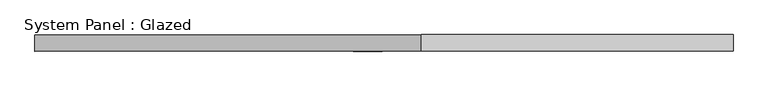
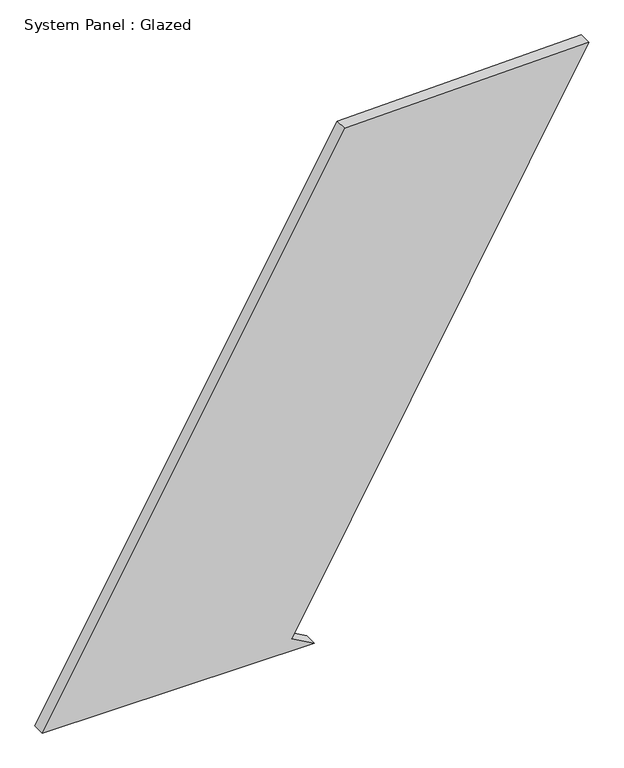
"""IFC4 building model written with IfcOpenShell, lengths in millimetres: plate geometry, System Panel : Glazed."""

from ifc_helpers import new_model, si_unit, frame, origin, place, context, project, spatial, polyline, outline, extrude, source, transform, mapped, element, save


def system_panel_glazed_c09323ca(model_context):
    return source(origin(), model_context, "Body", "SweptSolid", [
        extrude(outline(polyline([(0.0, -529.4869598), (0.0, -2.8664047), (24.5791118, -46.4079626), (1044.769034, 529.4869598), (1034.0380145, 56.2213593), (0.0, -529.4869598)])), frame((0.0, -49.5, 0.0), z_axis=(0.0, 1.0, 0.0), x_axis=(0.0, 0.0, 1.0)), (0.0, 0.0, 1.0), 25.0),
    ])


if __name__ == "__main__":
    model = new_model("IFC4")
    model_context = context("Model", 3, world=origin())
    ifc_project = project(units=[si_unit("LENGTHUNIT", "METRE", prefix="MILLI")], contexts=[model_context])
    site = spatial("IfcSite", under=ifc_project)
    building = spatial("IfcBuilding", under=site)
    placement = place(None, origin())
    system_panel_glazed_shape = system_panel_glazed_c09323ca(model_context)
    element("IfcPlate", 1, ObjectType="System Panel : Glazed", at=placement, inside=building, context=model_context, shape_type="MappedRepresentation", body=[
        mapped(system_panel_glazed_shape, transform((0.0, 0.0, 0.0), x_axis=(1.0, 0.0, 0.0), y_axis=(0.0, 1.0, 0.0), z_axis=(0.0, 0.0, 1.0))),
    ])
    save(model, "model.ifc")
